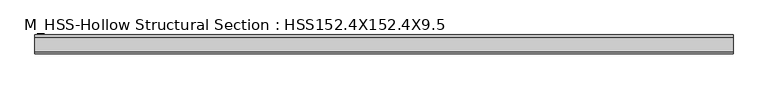
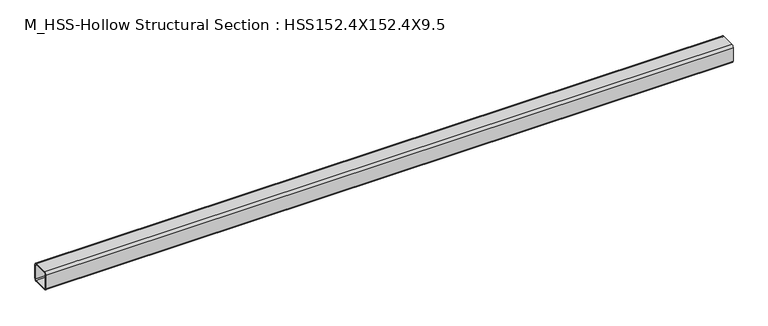
"""IFC4 building model written with IfcOpenShell, lengths in millimetres: member geometry, M_HSS-Hollow Structural Section : HSS152.4X152.4X9.5."""

from ifc_helpers import new_model, si_unit, point, frame, frame_2d, origin, place, context, project, spatial, polyline, circle_curve, trimmed, segment, composite_curve, outline, extrude, source, transform, mapped, element, save


def m_hss_hollow_structural_section_hss152_4x152_4x9_5_23f7f19f(model_context):
    return source(origin(), model_context, "Body", "SweptSolid", [
        extrude(outline(composite_curve([segment(polyline([(76.0, 58.2), (76.0, -58.2)]), True, "CONTINUOUS"), segment(trimmed(circle_curve(frame_2d((58.2, -58.2)), 17.8), [point((76.0, -58.2))], [point((58.2, -76.0))], False, "CARTESIAN"), True, "CONTINUOUS"), segment(polyline([(58.2, -76.0), (-58.2, -76.0)]), True, "CONTINUOUS"), segment(trimmed(circle_curve(frame_2d((-58.2, -58.2)), 17.8), [point((-58.2, -76.0))], [point((-76.0, -58.2))], False, "CARTESIAN"), True, "CONTINUOUS"), segment(polyline([(-76.0, -58.2), (-76.0, 58.2)]), True, "CONTINUOUS"), segment(trimmed(circle_curve(frame_2d((-58.2, 58.2)), 17.8), [point((-76.0, 58.2))], [point((-58.2, 76.0))], False, "CARTESIAN"), True, "CONTINUOUS"), segment(polyline([(-58.2, 76.0), (58.2, 76.0)]), True, "CONTINUOUS"), segment(trimmed(circle_curve(frame_2d((58.2, 58.2)), 17.8), [point((58.2, 76.0))], [point((76.0, 58.2))], False, "CARTESIAN"), True, "CONTINUOUS")], self_intersect=False), holes=[composite_curve([segment(trimmed(circle_curve(frame_2d((-58.2, 58.2)), 8.9), [point((-58.2, 67.1))], [point((-67.1, 58.2))], True, "CARTESIAN"), True, "CONTINUOUS"), segment(polyline([(-67.1, 58.2), (-67.1, -58.2)]), True, "CONTINUOUS"), segment(trimmed(circle_curve(frame_2d((-58.2, -58.2)), 8.9), [point((-67.1, -58.2))], [point((-58.2, -67.1))], True, "CARTESIAN"), True, "CONTINUOUS"), segment(polyline([(-58.2, -67.1), (58.2, -67.1)]), True, "CONTINUOUS"), segment(trimmed(circle_curve(frame_2d((58.2, -58.2)), 8.9), [point((58.2, -67.1))], [point((67.1, -58.2))], True, "CARTESIAN"), True, "CONTINUOUS"), segment(polyline([(67.1, -58.2), (67.1, 58.2)]), True, "CONTINUOUS"), segment(trimmed(circle_curve(frame_2d((58.2, 58.2)), 8.9), [point((67.1, 58.2))], [point((58.2, 67.1))], True, "CARTESIAN"), True, "CONTINUOUS"), segment(polyline([(58.2, 67.1), (-58.2, 67.1)]), True, "CONTINUOUS")], self_intersect=False)]), frame((-2787.520036, 0.0, 0.0), z_axis=(1.0, 0.0, 0.0), x_axis=(0.0, 1.0, 0.0)), (0.0, 0.0, 1.0), 5640.5533658),
    ])


if __name__ == "__main__":
    model = new_model("IFC4")
    model_context = context("Model", 3, world=origin())
    ifc_project = project(units=[si_unit("LENGTHUNIT", "METRE", prefix="MILLI")], contexts=[model_context])
    site = spatial("IfcSite", under=ifc_project)
    building = spatial("IfcBuilding", under=site)
    placement = place(None, origin())
    m_hss_hollow_structural_section_hss152_4x152_4x9_5_shape = m_hss_hollow_structural_section_hss152_4x152_4x9_5_23f7f19f(model_context)
    element("IfcMember", 1, ObjectType="M_HSS-Hollow Structural Section : HSS152.4X152.4X9.5", at=placement, inside=building, context=model_context, shape_type="MappedRepresentation", body=[
        mapped(m_hss_hollow_structural_section_hss152_4x152_4x9_5_shape, transform((0.0, 0.0, 0.0), x_axis=(1.0, 0.0, 0.0), y_axis=(0.0, 1.0, 0.0), z_axis=(0.0, 0.0, 1.0))),
    ])
    save(model, "model.ifc")
